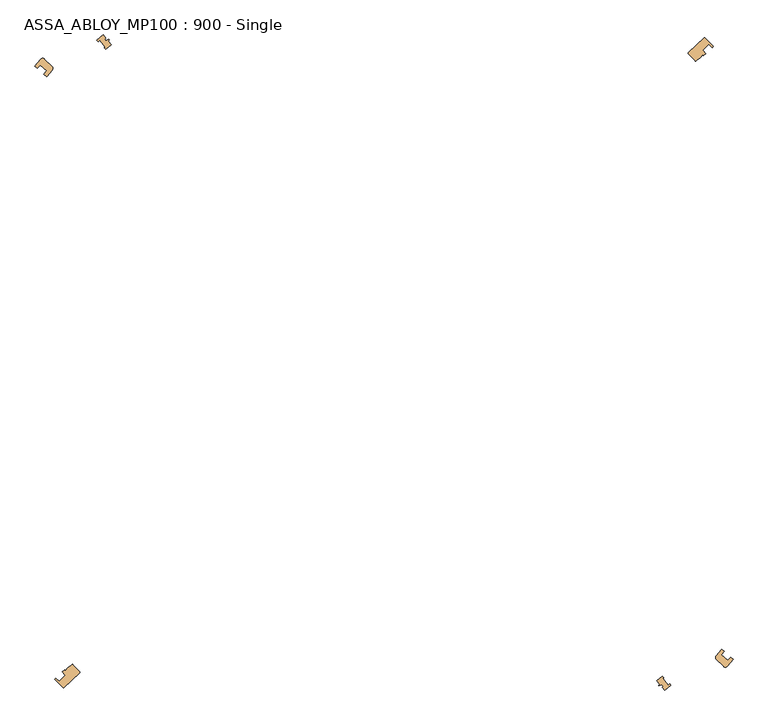
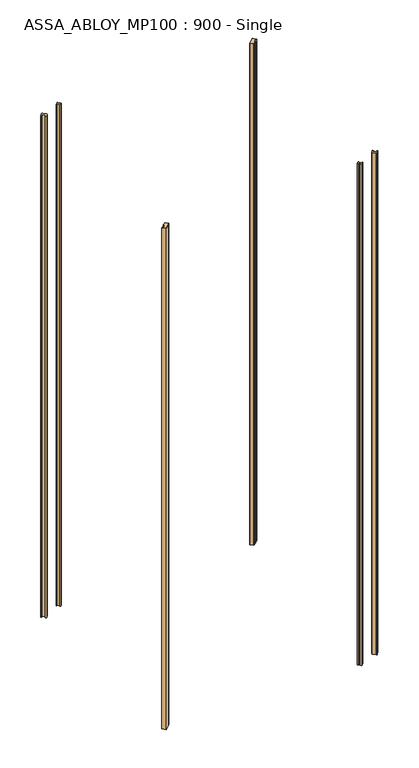
"""IFC4 building model written with IfcOpenShell, lengths in millimetres: door geometry, ASSA_ABLOY_MP100 : 900 - Single."""

from ifc_helpers import new_model, si_unit, point, frame_2d, origin, origin_with_axes, place, context, project, spatial, polyline, circle_curve, trimmed, segment, composite_curve, outline, extrude, source, transform, mapped, element, save


def assa_abloy_mp100_900_single_cc7a21a1(model_context):
    return source(origin(), model_context, "Body", "SweptSolid", [
        extrude(outline(composite_curve([segment(polyline([(608.3568486, 492.9730849), (633.5651461, 516.8281455)]), True, "CONTINUOUS"), segment(trimmed(circle_curve(frame_2d((634.2524885, 516.1018119)), 1.0), [point((633.5651461, 516.8281455))], [point((634.9556184, 516.8128734))], False, "CARTESIAN"), True, "CONTINUOUS"), segment(trimmed(circle_curve(frame_2d((27.0657108, -97.9342892)), 864.5485606), [point((634.9556184, 516.8128734))], [point((648.2868858, 503.3380829))], False, "CARTESIAN"), True, "CONTINUOUS"), segment(polyline([(648.2868858, 503.3380829), (646.1312364, 501.2516563)]), True, "CONTINUOUS"), segment(trimmed(circle_curve(frame_2d((27.0657108, -97.9342892)), 861.5485606), [point((646.1312364, 501.2516563))], [point((641.2424738, 506.261727))], True, "CARTESIAN"), True, "CONTINUOUS"), segment(polyline([(641.2424738, 506.261727), (631.1824394, 496.5247429)]), True, "CONTINUOUS"), segment(trimmed(circle_curve(frame_2d((27.0657108, -97.9342892)), 847.5485606), [point((631.1824394, 496.5247429))], [point((636.0715396, 491.5149988))], False, "CARTESIAN"), True, "CONTINUOUS"), segment(polyline([(636.0715396, 491.5149988), (632.6003998, 488.1553251), (631.1155815, 489.7280768), (627.119016, 484.6273834)]), True, "CONTINUOUS"), segment(trimmed(circle_curve(frame_2d((623.9704102, 487.0944224)), 4.0), [point((627.119016, 484.6273834))], [point((626.2601445, 483.8146181))], False, "CARTESIAN"), True, "CONTINUOUS"), segment(polyline([(626.2601445, 483.8146181), (620.3134766, 479.6630627)]), True, "CONTINUOUS"), segment(trimmed(circle_curve(frame_2d((620.0416691, 480.6254143)), 1.0), [point((620.3134766, 479.6630627))], [point((619.3153355, 479.9380719))], False, "CARTESIAN"), True, "CONTINUOUS"), segment(polyline([(619.3153355, 479.9380719), (608.3178574, 491.559409)]), True, "CONTINUOUS"), segment(trimmed(circle_curve(frame_2d((609.044191, 492.2467514)), 1.0), [point((608.3178574, 491.559409))], [point((608.3568486, 492.9730849))], False, "CARTESIAN"), True, "CONTINUOUS")], self_intersect=False)), origin_with_axes(), (0.0, 0.0, 1.0), 2600.0),
        extrude(outline(composite_curve([segment(polyline([(-358.3568486, -492.9730849), (-383.5651461, -516.8281455)]), True, "CONTINUOUS"), segment(trimmed(circle_curve(frame_2d((-384.2524885, -516.1018119)), 1.0), [point((-383.5651461, -516.8281455))], [point((-384.9556184, -516.8128734))], False, "CARTESIAN"), True, "CONTINUOUS"), segment(trimmed(circle_curve(frame_2d((222.9342892, 97.9342892)), 864.5485606), [point((-384.9556184, -516.8128734))], [point((-398.2868858, -503.3380829))], False, "CARTESIAN"), True, "CONTINUOUS"), segment(polyline([(-398.2868858, -503.3380829), (-396.1312364, -501.2516563)]), True, "CONTINUOUS"), segment(trimmed(circle_curve(frame_2d((222.9342892, 97.9342892)), 861.5485606), [point((-396.1312364, -501.2516563))], [point((-391.2424738, -506.261727))], True, "CARTESIAN"), True, "CONTINUOUS"), segment(polyline([(-391.2424738, -506.261727), (-381.1824394, -496.5247429)]), True, "CONTINUOUS"), segment(trimmed(circle_curve(frame_2d((222.9342892, 97.9342892)), 847.5485606), [point((-381.1824394, -496.5247429))], [point((-386.0715396, -491.5149988))], False, "CARTESIAN"), True, "CONTINUOUS"), segment(polyline([(-386.0715396, -491.5149988), (-382.6003998, -488.1553251), (-381.1155815, -489.7280768), (-377.119016, -484.6273834)]), True, "CONTINUOUS"), segment(trimmed(circle_curve(frame_2d((-373.9704102, -487.0944224)), 4.0), [point((-377.119016, -484.6273834))], [point((-376.2601445, -483.8146181))], False, "CARTESIAN"), True, "CONTINUOUS"), segment(polyline([(-376.2601445, -483.8146181), (-370.3134766, -479.6630627)]), True, "CONTINUOUS"), segment(trimmed(circle_curve(frame_2d((-370.0416691, -480.6254143)), 1.0), [point((-370.3134766, -479.6630627))], [point((-369.3153355, -479.9380719))], False, "CARTESIAN"), True, "CONTINUOUS"), segment(polyline([(-369.3153355, -479.9380719), (-358.3178574, -491.559409)]), True, "CONTINUOUS"), segment(trimmed(circle_curve(frame_2d((-359.044191, -492.2467514)), 1.0), [point((-358.3178574, -491.559409))], [point((-358.3568486, -492.9730849))], False, "CARTESIAN"), True, "CONTINUOUS")], self_intersect=False)), origin_with_axes(), (0.0, 0.0, 1.0), 2600.0),
        extrude(outline(composite_curve([segment(polyline([(-429.6289922, 471.1645854), (-419.9667789, 482.9221249)]), True, "CONTINUOUS"), segment(trimmed(circle_curve(frame_2d((-417.2301672, 480.0047705)), 4.0), [point((-419.9667789, 482.9221249))], [point((-414.4017401, 482.8331976))], False, "CARTESIAN"), True, "CONTINUOUS"), segment(polyline([(-414.4017401, 482.8331976), (-402.4294884, 470.8609459)]), True, "CONTINUOUS"), segment(trimmed(circle_curve(frame_2d((-405.2579155, 468.0325187)), 4.0), [point((-402.4294884, 470.8609459))], [point((-402.1674907, 465.4929765))], False, "CARTESIAN"), True, "CONTINUOUS"), segment(polyline([(-402.1674907, 465.4929765), (-410.7123012, 455.0946088), (-415.3828938, 459.0623384)]), True, "CONTINUOUS"), segment(trimmed(circle_curve(frame_2d((125.0, 0.0)), 709.05), [point((-415.3828938, 459.0623384))], [point((-410.8245287, 464.3748238))], False, "CARTESIAN"), True, "CONTINUOUS"), segment(polyline([(-410.8245287, 464.3748238), (-421.4947523, 473.4393184)]), True, "CONTINUOUS"), segment(trimmed(circle_curve(frame_2d((125.0, 0.0)), 723.05), [point((-421.4947523, 473.4393184))], [point((-426.0526075, 468.1263998))], True, "CARTESIAN"), True, "CONTINUOUS"), segment(polyline([(-426.0526075, 468.1263998), (-429.6289922, 471.1645854)]), True, "CONTINUOUS")], self_intersect=False)), origin_with_axes(), (0.0, 0.0, 1.0), 2600.0),
        extrude(outline(composite_curve([segment(polyline([(679.6315744, -471.1614277), (669.9667078, -482.922196)]), True, "CONTINUOUS"), segment(trimmed(circle_curve(frame_2d((667.229806, -480.0291165)), 3.9825294), [point((669.9667078, -482.922196))], [point((664.4137325, -482.84519))], False, "CARTESIAN"), True, "CONTINUOUS"), segment(polyline([(664.4137325, -482.84519), (652.9347683, -471.3662258)]), True, "CONTINUOUS"), segment(trimmed(circle_curve(frame_2d((655.7631954, -468.5377987)), 4.0), [point((652.9347683, -471.3662258))], [point((652.6727707, -465.9982565))], False, "CARTESIAN"), True, "CONTINUOUS"), segment(polyline([(652.6727707, -465.9982565), (661.2568817, -455.5520631), (665.3843694, -459.0583782)]), True, "CONTINUOUS"), segment(trimmed(circle_curve(frame_2d((125.0, 0.0)), 709.0485606), [point((665.3843694, -459.0583782))], [point((660.826034, -464.370889))], False, "CARTESIAN"), True, "CONTINUOUS"), segment(polyline([(660.826034, -464.370889), (671.4963084, -473.4353238)]), True, "CONTINUOUS"), segment(trimmed(circle_curve(frame_2d((125.0, 0.0)), 723.0485606), [point((671.4963084, -473.4353238))], [point((676.054134, -468.1223798))], True, "CARTESIAN"), True, "CONTINUOUS"), segment(polyline([(676.054134, -468.1223798), (679.6315744, -471.1614277)]), True, "CONTINUOUS")], self_intersect=False)), origin_with_axes(), (0.0, 0.0, 1.0), 2600.0),
        extrude(outline(composite_curve([segment(polyline([(-313.0132195, 511.1381923), (-308.5514971, 505.5582057)]), True, "CONTINUOUS"), segment(trimmed(circle_curve(frame_2d((125.0, 0.0)), 666.0), [point((-308.5514971, 505.5582057))], [point((-316.7987002, 498.3672426))], True, "CARTESIAN"), True, "CONTINUOUS"), segment(polyline([(-316.7987002, 498.3672426), (-319.1195254, 500.6880679), (-318.077573, 501.5212066), (-326.8205949, 512.4555363), (-329.0802154, 510.6487579), (-331.0566583, 512.6252008)]), True, "CONTINUOUS"), segment(trimmed(circle_curve(frame_2d((125.0, 0.0)), 686.1284661), [point((-331.0566583, 512.6252008))], [point((-321.1289698, 521.288034))], False, "CARTESIAN"), True, "CONTINUOUS"), segment(polyline([(-321.1289698, 521.288034), (-317.0724797, 516.2148454), (-319.0250386, 514.6535914), (-316.8392831, 511.920009), (-312.0974919, 513.9961437), (-311.4789974, 513.2226328), (-313.0132195, 511.1381923)]), True, "CONTINUOUS")], self_intersect=False)), origin_with_axes(), (0.0, 0.0, 1.0), 2600.0),
        extrude(outline(composite_curve([segment(polyline([(562.7653437, -510.8903165), (558.5514971, -505.5582057)]), True, "CONTINUOUS"), segment(trimmed(circle_curve(frame_2d((125.0, 0.0)), 666.0), [point((558.5514971, -505.5582057))], [point((566.7987002, -498.3672426))], True, "CARTESIAN"), True, "CONTINUOUS"), segment(polyline([(566.7987002, -498.3672426), (569.1195254, -500.6880679), (568.077573, -501.5212066), (576.820595, -512.4555363), (579.0802154, -510.6487579), (580.8091063, -512.3776488)]), True, "CONTINUOUS"), segment(trimmed(circle_curve(frame_2d((125.0, 0.0)), 685.7789705), [point((580.8091063, -512.3776488))], [point((570.881094, -521.0401582))], False, "CARTESIAN"), True, "CONTINUOUS"), segment(polyline([(570.881094, -521.0401582), (566.8246039, -515.9669696), (568.7771628, -514.4057156), (566.5914073, -511.6721332), (561.8496161, -513.7482679), (561.2311216, -512.974757), (562.7653437, -510.8903165)]), True, "CONTINUOUS")], self_intersect=False)), origin_with_axes(), (0.0, 0.0, 1.0), 2600.0),
    ])


if __name__ == "__main__":
    model = new_model("IFC4")
    model_context = context("Model", 3, world=origin())
    ifc_project = project(units=[si_unit("LENGTHUNIT", "METRE", prefix="MILLI")], contexts=[model_context])
    site = spatial("IfcSite", under=ifc_project)
    building = spatial("IfcBuilding", under=site)
    placement = place(None, origin())
    assa_abloy_mp100_900_single_shape = assa_abloy_mp100_900_single_cc7a21a1(model_context)
    element("IfcDoor", 1, ObjectType="ASSA_ABLOY_MP100 : 900 - Single", at=placement, inside=building, context=model_context, shape_type="MappedRepresentation", body=[
        mapped(assa_abloy_mp100_900_single_shape, transform((0.0, 0.0, 0.0), x_axis=(1.0, 0.0, 0.0), y_axis=(0.0, 1.0, 0.0), z_axis=(0.0, 0.0, 1.0))),
    ])
    save(model, "model.ifc")
